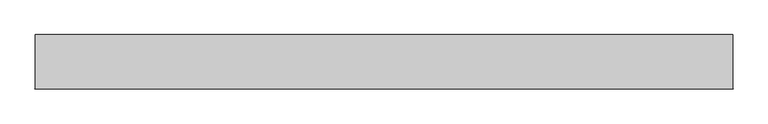
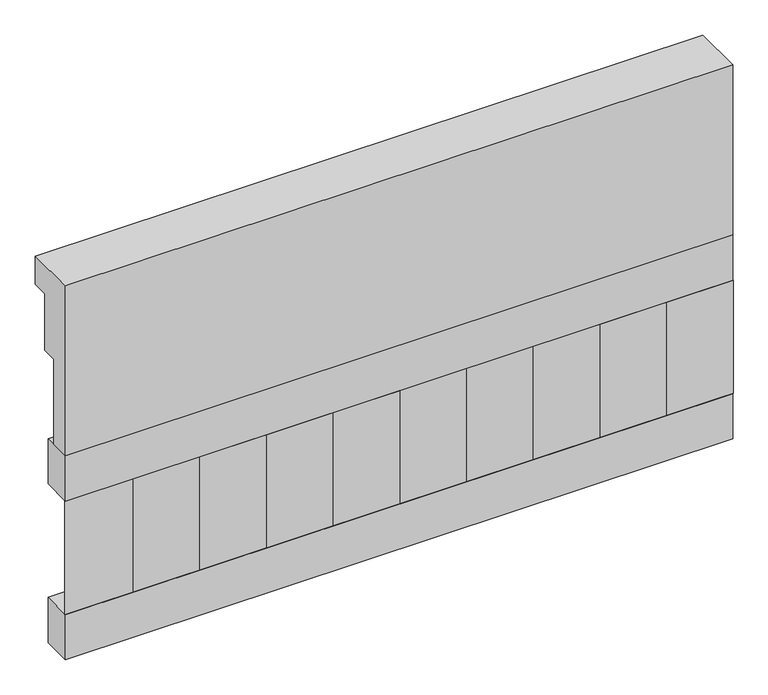
"""IFC4 building model written with IfcOpenShell, lengths in millimetres: railing geometry."""

from ifc_helpers import new_model, si_unit, frame, origin, place, context, project, spatial, polyline, outline, extrude, source, transform, mapped, element, save


def railing_849bd8a2(model_context):
    return source(origin(), model_context, "Body", "SweptSolid", [
        extrude(outline(polyline([(903.1079487, 25100.0), (1033.1079487, 25100.0), (1033.1079487, 25025.0), (993.1079487, 25025.0), (993.1079487, 24875.0), (953.1079487, 24875.0), (953.1079487, 24650.0), (903.1079487, 24650.0), (903.1079487, 25100.0)])), frame((-29609.9887159, 0.0, 0.0), z_axis=(1.0, 0.0, 0.0), x_axis=(0.0, 1.0, 0.0)), (0.0, 0.0, 1.0), 1670.0),
        extrude(outline(polyline([(-27939.9887159, 978.1079487), (-27939.9887159, 903.1079487), (-29609.9887159, 903.1079487), (-29609.9887159, 978.1079487), (-27939.9887159, 978.1079487)])), frame((0.0, 0.0, 24530.0), z_axis=(0.0, 0.0, 1.0), x_axis=(1.0, 0.0, 0.0)), (0.0, 0.0, 1.0), 120.0),
        extrude(outline(polyline([(-27939.9887159, 978.1079487), (-27939.9887159, 903.1079487), (-29609.9887159, 903.1079487), (-29609.9887159, 978.1079487), (-27939.9887159, 978.1079487)])), frame((0.0, 0.0, 24110.0), z_axis=(0.0, 0.0, 1.0), x_axis=(1.0, 0.0, 0.0)), (0.0, 0.0, 1.0), 120.0),
        extrude(outline(polyline([(-29526.4887159, 987.9607624), (-29441.6359022, 903.1079487), (-29611.3415296, 903.1079487), (-29526.4887159, 987.9607624)])), frame((0.0, 0.0, 24230.0), z_axis=(0.0, 0.0, 1.0), x_axis=(1.0, 0.0, 0.0)), (0.0, 0.0, 1.0), 300.0),
        extrude(outline(polyline([(-29359.4887159, 987.9607624), (-29274.6359022, 903.1079487), (-29444.3415296, 903.1079487), (-29359.4887159, 987.9607624)])), frame((0.0, 0.0, 24230.0), z_axis=(0.0, 0.0, 1.0), x_axis=(1.0, 0.0, 0.0)), (0.0, 0.0, 1.0), 300.0),
        extrude(outline(polyline([(-29192.4887159, 987.9607624), (-29107.6359022, 903.1079487), (-29277.3415296, 903.1079487), (-29192.4887159, 987.9607624)])), frame((0.0, 0.0, 24230.0), z_axis=(0.0, 0.0, 1.0), x_axis=(1.0, 0.0, 0.0)), (0.0, 0.0, 1.0), 300.0),
        extrude(outline(polyline([(-29025.4887159, 987.9607624), (-28940.6359022, 903.1079487), (-29110.3415296, 903.1079487), (-29025.4887159, 987.9607624)])), frame((0.0, 0.0, 24230.0), z_axis=(0.0, 0.0, 1.0), x_axis=(1.0, 0.0, 0.0)), (0.0, 0.0, 1.0), 300.0),
        extrude(outline(polyline([(-28858.4887159, 987.9607624), (-28773.6359022, 903.1079487), (-28943.3415296, 903.1079487), (-28858.4887159, 987.9607624)])), frame((0.0, 0.0, 24230.0), z_axis=(0.0, 0.0, 1.0), x_axis=(1.0, 0.0, 0.0)), (0.0, 0.0, 1.0), 300.0),
        extrude(outline(polyline([(-28691.4887159, 987.9607624), (-28606.6359022, 903.1079487), (-28776.3415296, 903.1079487), (-28691.4887159, 987.9607624)])), frame((0.0, 0.0, 24230.0), z_axis=(0.0, 0.0, 1.0), x_axis=(1.0, 0.0, 0.0)), (0.0, 0.0, 1.0), 300.0),
        extrude(outline(polyline([(-28524.4887159, 987.9607624), (-28439.6359022, 903.1079487), (-28609.3415296, 903.1079487), (-28524.4887159, 987.9607624)])), frame((0.0, 0.0, 24230.0), z_axis=(0.0, 0.0, 1.0), x_axis=(1.0, 0.0, 0.0)), (0.0, 0.0, 1.0), 300.0),
        extrude(outline(polyline([(-28357.4887159, 987.9607624), (-28272.6359022, 903.1079487), (-28442.3415296, 903.1079487), (-28357.4887159, 987.9607624)])), frame((0.0, 0.0, 24230.0), z_axis=(0.0, 0.0, 1.0), x_axis=(1.0, 0.0, 0.0)), (0.0, 0.0, 1.0), 300.0),
        extrude(outline(polyline([(-28190.4887159, 987.9607624), (-28105.6359022, 903.1079487), (-28275.3415296, 903.1079487), (-28190.4887159, 987.9607624)])), frame((0.0, 0.0, 24230.0), z_axis=(0.0, 0.0, 1.0), x_axis=(1.0, 0.0, 0.0)), (0.0, 0.0, 1.0), 300.0),
        extrude(outline(polyline([(-28023.4887159, 987.9607624), (-27938.6359022, 903.1079487), (-28108.3415296, 903.1079487), (-28023.4887159, 987.9607624)])), frame((0.0, 0.0, 24230.0), z_axis=(0.0, 0.0, 1.0), x_axis=(1.0, 0.0, 0.0)), (0.0, 0.0, 1.0), 300.0),
    ])


if __name__ == "__main__":
    model = new_model("IFC4")
    model_context = context("Model", 3, world=origin())
    ifc_project = project(units=[si_unit("LENGTHUNIT", "METRE", prefix="MILLI")], contexts=[model_context])
    site = spatial("IfcSite", under=ifc_project)
    building = spatial("IfcBuilding", under=site)
    placement = place(None, origin())
    railing_shape = railing_849bd8a2(model_context)
    element("IfcRailing", 1, at=placement, inside=building, context=model_context, shape_type="MappedRepresentation", body=[
        mapped(railing_shape, transform((0.0, 0.0, 0.0), x_axis=(1.0, 0.0, 0.0), y_axis=(0.0, 1.0, 0.0), z_axis=(0.0, 0.0, 1.0))),
    ])
    save(model, "model.ifc")
